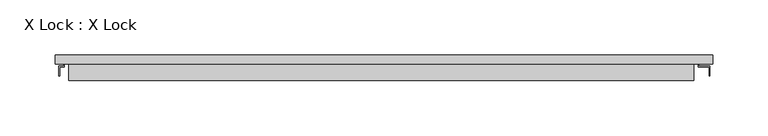
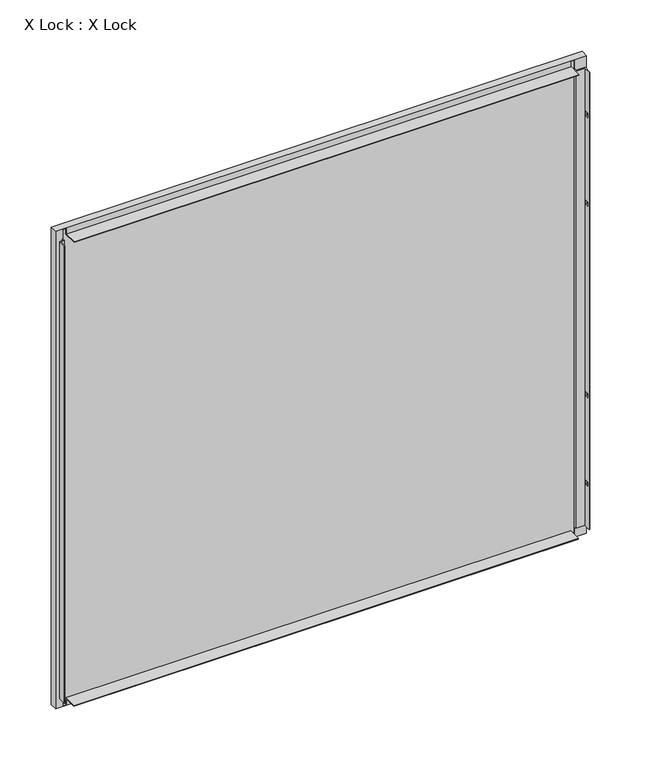
"""IFC4 building model written with IfcOpenShell, lengths in millimetres: plate geometry, X Lock : X Lock."""

from ifc_helpers import new_model, si_unit, frame, origin, place, context, project, spatial, polyline, outline, extrude, faceted_brep, source, transform, mapped, element, save


def x_lock_x_lock_fe59338d(model_context):
    return source(origin(), model_context, "Body", "SolidModel", [
        extrude(outline(polyline([(290.0, 7.2), (-285.0, 7.2), (-285.0, 8.0), (290.0, 8.0), (290.0, 7.2)])), frame((0.0, 0.0, 3.0), z_axis=(0.0, 0.0, 1.0), x_axis=(1.0, 0.0, 0.0)), (0.0, 0.0, 1.0), 546.0),
        faceted_brep([(300.0, 8.0, 559.0), (-295.0, 8.0, 559.0), (-295.0, 0.0, 559.0), (300.0, 0.0, 559.0), (-295.0, 8.0, -7.0), (-295.0, 0.0, -7.0), (300.0, 8.0, -7.0), (300.0, 0.0, -7.0), (299.2, 7.2, 558.2), (299.2, 7.2, -6.2), (299.2, 0.8, -6.2), (299.2, 0.8, 558.2), (-294.2, 7.2, -6.2), (-294.2, 0.8, -6.2), (-286.7, 0.8, -6.2), (-286.7, 0.0, -6.2), (-283.0, 0.0, -6.2), (-283.0, 0.8, -6.2), (283.0, 0.8, -6.2), (283.0, 0.0, -6.2), (286.7, 0.0, -6.2), (286.7, 0.8, -6.2), (-294.2, 7.2, 558.2), (-294.2, 0.8, 558.2), (286.7, 0.8, 558.2), (286.7, 0.0, 558.2), (283.0, 0.0, 558.2), (283.0, 0.8, 558.2), (-283.0, 0.8, 558.2), (-283.0, 0.0, 558.2), (-286.7, 0.0, 558.2), (-286.7, 0.8, 558.2), (-285.0, 7.2, 549.0), (290.0, 7.2, 549.0), (290.0, 7.2, 3.0), (-285.0, 7.2, 3.0), (-285.0, 8.0, 549.0), (-285.0, 8.0, 3.0), (290.0, 8.0, 3.0), (290.0, 8.0, 549.0), (286.7, -2.7949633, 547.0), (296.7, -2.7949633, 547.0), (296.7, -11.0, 547.0), (297.5, -11.0, 547.0), (297.5, -2.0, 547.0), (287.5, -2.0, 547.0), (287.5, 0.0, 547.0), (286.7, 0.0, 547.0), (287.5, 0.0, 5.0), (287.5, -2.0, 5.0), (297.5, -2.0, 5.0), (297.5, -11.0, 5.0), (296.7, -11.0, 5.0), (296.7, -2.7949633, 5.0), (286.7, -2.7949633, 5.0), (286.7, 0.0, 5.0), (296.7, -5.0, 392.0), (296.7, -9.0, 392.0), (296.7, -9.0, 387.0), (296.7, -5.0, 387.0), (296.7, -5.0, 60.0), (296.7, -9.0, 60.0), (296.7, -9.0, 55.0), (296.7, -5.0, 55.0), (296.7, -5.0, 497.0), (296.7, -9.0, 497.0), (296.7, -9.0, 492.0), (296.7, -5.0, 492.0), (296.7, -5.0, 165.0), (296.7, -9.0, 165.0), (296.7, -9.0, 160.0), (296.7, -5.0, 160.0), (297.5, -9.0, 392.0), (297.5, -5.0, 392.0), (297.5, -5.0, 387.0), (297.5, -9.0, 387.0), (297.5, -9.0, 60.0), (297.5, -5.0, 60.0), (297.5, -5.0, 55.0), (297.5, -9.0, 55.0), (297.5, -9.0, 497.0), (297.5, -5.0, 497.0), (297.5, -5.0, 492.0), (297.5, -9.0, 492.0), (297.5, -9.0, 165.0), (297.5, -5.0, 165.0), (297.5, -5.0, 160.0), (297.5, -9.0, 160.0), (-287.5, 0.0, 547.0), (-287.5, -2.0, 547.0), (-291.7, -2.0, 547.0), (-291.7, -11.0, 547.0), (-290.9, -11.0, 547.0), (-290.9, -2.7949633, 547.0), (-286.7, -2.7949633, 547.0), (-286.7, 0.0, 547.0), (-286.7, -2.7949633, 5.0), (-290.9, -2.7949633, 5.0), (-290.9, -11.0, 5.0), (-291.7, -11.0, 5.0), (-291.7, -2.0, 5.0), (-287.5, -2.0, 5.0), (-287.5, 0.0, 5.0), (-286.7, 0.0, 5.0), (-283.0, 0.8, 550.7), (-283.0, -15.0, 550.7), (-283.0, -15.0, 551.5), (-283.0, 0.0, 551.5), (283.0, 0.0, 551.5), (283.0, -15.0, 551.5), (283.0, -15.0, 550.7), (283.0, 0.8, 550.7), (-283.0, 0.0, 0.5), (-283.0, -14.2, 0.5), (-283.0, -14.2, 1.3), (-283.0, 0.8, 1.3), (283.0, 0.8, 1.3), (283.0, -14.2, 1.3), (283.0, -14.2, 0.5), (283.0, 0.0, 0.5)], [[[0, 1, 2, 3]], [[1, 4, 5, 2]], [[4, 6, 7, 5]], [[8, 9, 10, 11]], [[9, 12, 13, 14, 15, 16, 17, 18, 19, 20, 21, 10]], [[12, 22, 23, 13]], [[22, 8, 11, 24, 25, 26, 27, 28, 29, 30, 31, 23]], [[9, 8, 22, 12], [32, 33, 34, 35]], [[1, 0, 6, 4], [36, 37, 38, 39]], [[33, 32, 36, 39]], [[34, 33, 39, 38]], [[35, 34, 38, 37]], [[32, 35, 37, 36]], [[40, 41, 42, 43, 44, 45, 46, 47]], [[48, 49, 50, 51, 52, 53, 54, 55]], [[14, 13, 23, 31]], [[10, 21, 24, 11]], [[54, 40, 47, 25, 24, 21, 20, 55]], [[41, 40, 54, 53]], [[42, 41, 53, 52], [56, 57, 58, 59], [60, 61, 62, 63], [64, 65, 66, 67], [68, 69, 70, 71]], [[43, 42, 52, 51]], [[44, 43, 51, 50], [72, 73, 74, 75], [76, 77, 78, 79], [80, 81, 82, 83], [84, 85, 86, 87]], [[45, 44, 50, 49]], [[46, 45, 49, 48]], [[88, 89, 90, 91, 92, 93, 94, 95]], [[96, 97, 98, 99, 100, 101, 102, 103]], [[94, 96, 103, 15, 14, 31, 30, 95]], [[94, 93, 97, 96]], [[93, 92, 98, 97]], [[92, 91, 99, 98]], [[91, 90, 100, 99]], [[90, 89, 101, 100]], [[89, 88, 102, 101]], [[104, 105, 106, 107, 29, 28]], [[108, 109, 110, 111, 27, 26]], [[111, 104, 28, 27]], [[105, 104, 111, 110]], [[107, 106, 109, 108]], [[112, 113, 114, 115, 17, 16]], [[116, 117, 118, 119, 19, 18]], [[113, 112, 119, 118]], [[115, 114, 117, 116]], [[115, 116, 18, 17]], [[3, 7, 6, 0]], [[7, 3, 2, 5], [46, 48, 55, 20, 19, 119, 112, 16, 15, 103, 102, 88, 95, 30, 29, 107, 108, 26, 25, 47]], [[56, 73, 72, 57]], [[57, 72, 75, 58]], [[58, 75, 74, 59]], [[73, 56, 59, 74]], [[76, 61, 60, 77]], [[61, 76, 79, 62]], [[62, 79, 78, 63]], [[77, 60, 63, 78]], [[106, 105, 110, 109]], [[114, 113, 118, 117]], [[64, 81, 80, 65]], [[65, 80, 83, 66]], [[66, 83, 82, 67]], [[81, 64, 67, 82]], [[68, 85, 84, 69]], [[69, 84, 87, 70]], [[70, 87, 86, 71]], [[85, 68, 71, 86]]]),
        extrude(outline(polyline([(299.2, 5.5297993), (-294.2, 5.5297993), (-294.2, 7.2), (299.2, 7.2), (299.2, 5.5297993)])), frame((0.0, 0.0, -6.2), z_axis=(0.0, 0.0, 1.0), x_axis=(1.0, 0.0, 0.0)), (0.0, 0.0, 1.0), 564.4),
    ])


if __name__ == "__main__":
    model = new_model("IFC4")
    model_context = context("Model", 3, world=origin())
    ifc_project = project(units=[si_unit("LENGTHUNIT", "METRE", prefix="MILLI")], contexts=[model_context])
    site = spatial("IfcSite", under=ifc_project)
    building = spatial("IfcBuilding", under=site)
    placement = place(None, origin())
    x_lock_x_lock_shape = x_lock_x_lock_fe59338d(model_context)
    element("IfcPlate", 1, ObjectType="X Lock : X Lock", at=placement, inside=building, context=model_context, shape_type="MappedRepresentation", body=[
        mapped(x_lock_x_lock_shape, transform((0.0, 0.0, 0.0), x_axis=(1.0, 0.0, 0.0), y_axis=(0.0, 1.0, 0.0), z_axis=(0.0, 0.0, 1.0))),
    ])
    save(model, "model.ifc")
